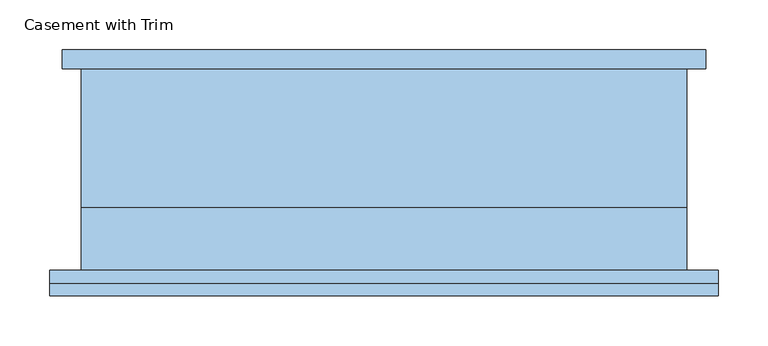
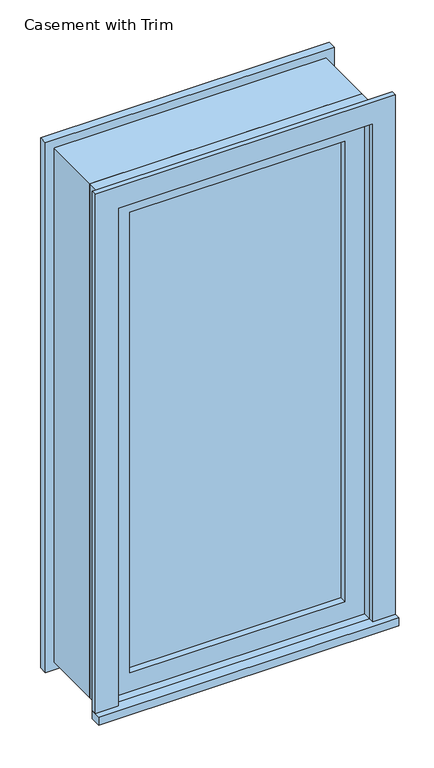
"""IFC4 building model written with IfcOpenShell, lengths in millimetres: window geometry, Casement with Trim."""

from ifc_helpers import new_model, si_unit, frame, origin, place, context, project, spatial, polyline, outline, extrude, source, transform, mapped, element, save


def casement_with_trim_6eb8446e(model_context):
    return source(origin(), model_context, "Body", "SweptSolid", [
        extrude(outline(polyline([(-336.55, -127.0), (-336.55, -101.6), (336.55, -101.6), (336.55, -127.0), (-336.55, -127.0)])), frame((0.0, 0.0, 914.4), z_axis=(0.0, 0.0, 1.0), x_axis=(1.0, 0.0, 0.0)), (0.0, 0.0, 1.0), 19.05),
        extrude(outline(polyline([(2114.55, -285.75), (2114.55, 285.75), (933.45, 285.75), (933.45, 336.55), (2165.35, 336.55), (2165.35, -336.55), (933.45, -336.55), (933.45, -285.75), (2114.55, -285.75)])), frame((0.0, -114.3, 0.0), z_axis=(0.0, 1.0, 0.0), x_axis=(0.0, 0.0, 1.0)), (0.0, 0.0, 1.0), 12.7),
        extrude(outline(polyline([(2152.65, 323.85), (2152.65, -323.85), (895.35, -323.85), (895.35, 323.85), (2152.65, 323.85)]), holes=[polyline([(2101.85, 273.05), (946.15, 273.05), (946.15, -273.05), (2101.85, -273.05), (2101.85, 273.05)])]), frame((0.0, 101.6, 0.0), z_axis=(0.0, 1.0, 0.0), x_axis=(0.0, 0.0, 1.0)), (0.0, 0.0, 1.0), 19.05),
        extrude(outline(polyline([(241.3, -53.975), (241.3, -66.675), (-241.3, -66.675), (-241.3, -53.975), (241.3, -53.975)])), frame((0.0, 0.0, 977.9), z_axis=(0.0, 0.0, 1.0), x_axis=(1.0, 0.0, 0.0)), (0.0, 0.0, 1.0), 1092.2),
        extrude(outline(polyline([(2114.55, -285.75), (933.45, -285.75), (933.45, 285.75), (2114.55, 285.75), (2114.55, -285.75)]), holes=[polyline([(2070.1, -241.3), (2070.1, 241.3), (977.9, 241.3), (977.9, -241.3), (2070.1, -241.3)])]), frame((0.0, -82.55, 0.0), z_axis=(0.0, 1.0, 0.0), x_axis=(0.0, 0.0, 1.0)), (0.0, 0.0, 1.0), 44.45),
        extrude(outline(polyline([(2133.6, -304.8), (914.4, -304.8), (914.4, 304.8), (2133.6, 304.8), (2133.6, -304.8)]), holes=[polyline([(2101.85, -273.05), (2101.85, 273.05), (946.15, 273.05), (946.15, -273.05), (2101.85, -273.05)])]), frame((0.0, -38.1, 0.0), z_axis=(0.0, 1.0, 0.0), x_axis=(0.0, 0.0, 1.0)), (0.0, 0.0, 1.0), 139.7),
        extrude(outline(polyline([(2133.6, 304.8), (2133.6, -304.8), (914.4, -304.8), (914.4, 304.8), (2133.6, 304.8)]), holes=[polyline([(2114.55, 285.75), (933.45, 285.75), (933.45, -285.75), (2114.55, -285.75), (2114.55, 285.75)])]), frame((0.0, -101.6, 0.0), z_axis=(0.0, 1.0, 0.0), x_axis=(0.0, 0.0, 1.0)), (0.0, 0.0, 1.0), 63.5),
    ])


if __name__ == "__main__":
    model = new_model("IFC4")
    model_context = context("Model", 3, world=origin())
    ifc_project = project(units=[si_unit("LENGTHUNIT", "METRE", prefix="MILLI")], contexts=[model_context])
    site = spatial("IfcSite", under=ifc_project)
    building = spatial("IfcBuilding", under=site)
    placement = place(None, origin())
    casement_with_trim_shape = casement_with_trim_6eb8446e(model_context)
    element("IfcWindow", 1, ObjectType="Casement with Trim", at=placement, inside=building, context=model_context, shape_type="MappedRepresentation", body=[
        mapped(casement_with_trim_shape, transform((0.0, 0.0, 0.0), x_axis=(1.0, 0.0, 0.0), y_axis=(0.0, 1.0, 0.0), z_axis=(0.0, 0.0, 1.0))),
    ])
    save(model, "model.ifc")
